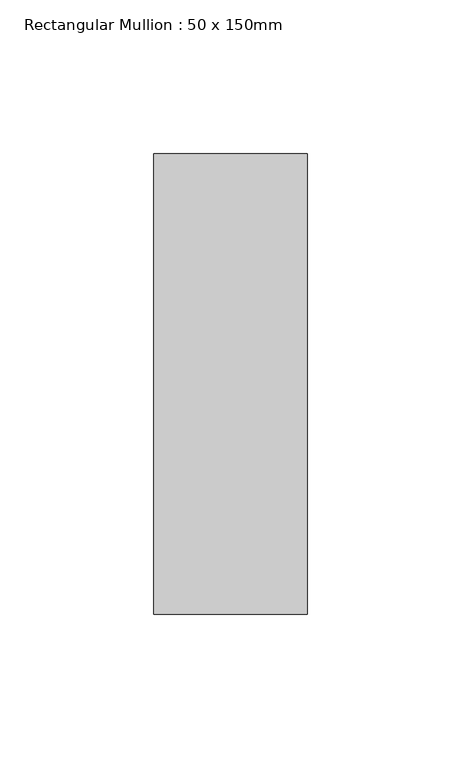
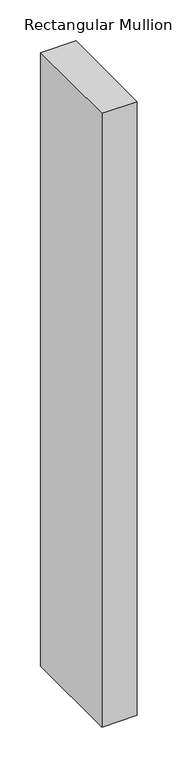
"""IFC4 building model written with IfcOpenShell, lengths in millimetres: member geometry, Rectangular Mullion : 50 x 150mm."""

from ifc_helpers import new_model, si_unit, frame, origin, place, context, project, spatial, polyline, outline, extrude, source, transform, mapped, element, save


def rectangular_mullion_50_x_150mm_935b4d88(model_context):
    return source(origin(), model_context, "Body", "SweptSolid", [
        extrude(outline(polyline([(0.0, 75.0), (0.0, -75.0), (-50.0, -75.0), (-50.0, 75.0), (0.0, 75.0)])), frame((0.0, 0.0, -918.3333333), z_axis=(0.0, 0.0, 1.0), x_axis=(1.0, 0.0, 0.0)), (0.0, 0.0, 1.0), 918.3333333),
    ])


if __name__ == "__main__":
    model = new_model("IFC4")
    model_context = context("Model", 3, world=origin())
    ifc_project = project(units=[si_unit("LENGTHUNIT", "METRE", prefix="MILLI")], contexts=[model_context])
    site = spatial("IfcSite", under=ifc_project)
    building = spatial("IfcBuilding", under=site)
    placement = place(None, origin())
    rectangular_mullion_50_x_150mm_shape = rectangular_mullion_50_x_150mm_935b4d88(model_context)
    element("IfcMember", 1, ObjectType="Rectangular Mullion : 50 x 150mm", at=placement, inside=building, context=model_context, shape_type="MappedRepresentation", body=[
        mapped(rectangular_mullion_50_x_150mm_shape, transform((0.0, 0.0, 0.0), x_axis=(1.0, 0.0, 0.0), y_axis=(0.0, 1.0, 0.0), z_axis=(0.0, 0.0, 1.0))),
    ])
    save(model, "model.ifc")
